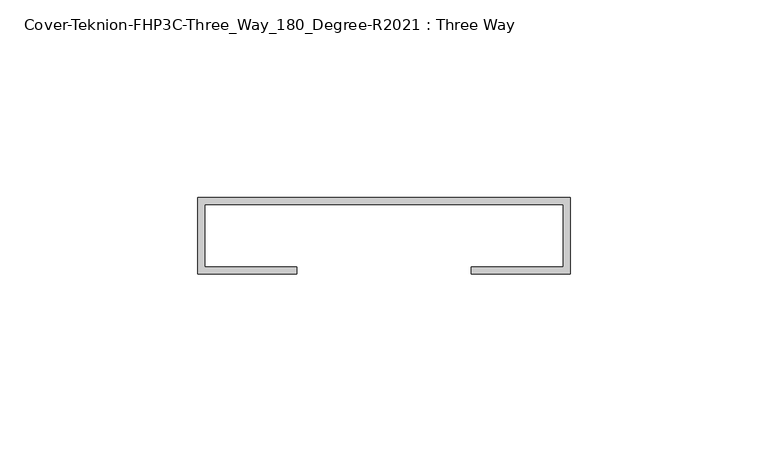
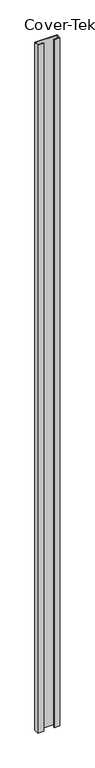
"""IFC4 building model written with IfcOpenShell, lengths in millimetres: proxy geometry, Cover-Teknion-FHP3C-Three_Way_180_Degree-R2021 : Three Way."""

from ifc_helpers import new_model, si_unit, origin, origin_with_axes, place, context, project, spatial, polyline, outline, extrude, source, transform, mapped, element, save


def cover_teknion_fhp3c_three_way_180_degree_r2021_three_way_076de34f(model_context):
    return source(origin(), model_context, "Body", "SweptSolid", [
        extrude(outline(polyline([(-46.9900006, 24.3522518), (-46.9900006, 43.6562515), (46.9900006, 43.6562515), (46.9900006, 24.3522518), (22.0099158, 24.3522518), (22.0099158, 26.1302512), (45.2120023, 26.1302512), (45.2120023, 41.8782515), (-45.2120023, 41.8782515), (-45.2120023, 26.1302512), (-22.0218003, 26.1302512), (-22.0218003, 24.3522518), (-46.9900006, 24.3522518)])), origin_with_axes(), (0.0, 0.0, 1.0), 3048.0),
    ])


if __name__ == "__main__":
    model = new_model("IFC4")
    model_context = context("Model", 3, world=origin())
    ifc_project = project(units=[si_unit("LENGTHUNIT", "METRE", prefix="MILLI")], contexts=[model_context])
    site = spatial("IfcSite", under=ifc_project)
    building = spatial("IfcBuilding", under=site)
    placement = place(None, origin())
    cover_teknion_fhp3c_three_way_180_degree_r2021_three_way_shape = cover_teknion_fhp3c_three_way_180_degree_r2021_three_way_076de34f(model_context)
    element("IfcBuildingElementProxy", 1, Name="Cover-Teknion-FHP3C-Three_Way_180_Degree-R2021 : Three Way", ObjectType="Cover-Teknion-FHP3C-Three_Way_180_Degree-R2021 : Three Way", at=placement, inside=building, context=model_context, shape_type="MappedRepresentation", body=[
        mapped(cover_teknion_fhp3c_three_way_180_degree_r2021_three_way_shape, transform((0.0, 0.0, 0.0), x_axis=(1.0, 0.0, 0.0), y_axis=(0.0, 1.0, 0.0), z_axis=(0.0, 0.0, 1.0))),
    ])
    save(model, "model.ifc")
